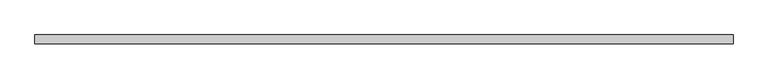
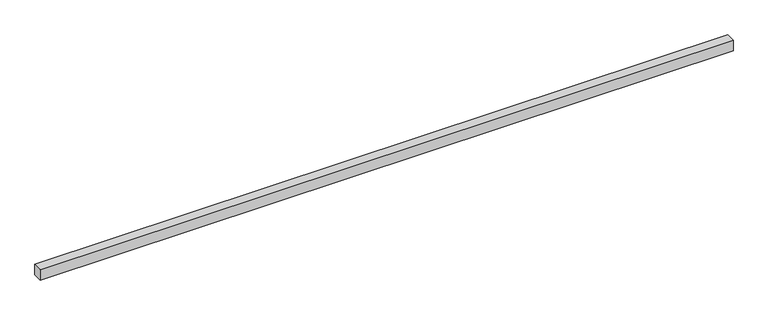
"""IFC4 building model written with IfcOpenShell, lengths in millimetres: proxy geometry."""

import ifcopenshell
import ifcopenshell.guid

model = None  # the IFC model being written
_history = None  # IfcOwnerHistory: only IFC2X3 demands one
_inside = {}  # id of a spatial element -> (the spatial element, [elements in it])
_under = {}  # id of a project, library or spatial element -> (it, [spatial elements below it])
_declared = {}  # id of a project -> (the project, [libraries it declares])
_typed = {}  # id of a type object -> (the type object, [elements of that type])
_made_of = {}  # id of a material, layer set ... -> (it, [elements and type objects made of it])


def new_model(schema):
    """Start an empty IFC model of exactly this schema.

    Asked for "IFC4X3", IfcOpenShell would pick the latest addendum, in which some entities
    have other attributes; the version numbers below select the first issue.
    IFC2X3 requires an IfcOwnerHistory on every rooted entity: one is made here for all.
    """
    global model, _history
    if schema == "IFC4X3":
        model = ifcopenshell.file(schema_version=(4, 3, 0, 0))
    else:
        model = ifcopenshell.file(schema=schema)
    _inside.clear()
    _under.clear()
    _declared.clear()
    _typed.clear()
    _made_of.clear()
    _history = None
    if model.schema == "IFC2X3":
        org = make("IfcOrganization", Name="unknown")
        user = make(
            "IfcPersonAndOrganization",
            ThePerson=make("IfcPerson", FamilyName="unknown"),
            TheOrganization=org,
        )
        app = make(
            "IfcApplication",
            ApplicationDeveloper=org,
            Version="unknown",
            ApplicationFullName="unknown",
            ApplicationIdentifier="unknown",
        )
        _history = make(
            "IfcOwnerHistory",
            OwningUser=user,
            OwningApplication=app,
            ChangeAction="ADDED",
            CreationDate=0,
        )
    return model


def make(cls, **values):
    """One entity of the class cls with the attributes given. An attribute that is None is left unset."""
    return model.create_entity(
        cls, **{name: value for name, value in values.items() if value is not None}
    )


def rooted(cls, **values):
    """An entity with a GlobalId (a new one), such as an element, a storey or a relation."""
    return make(cls, GlobalId=ifcopenshell.guid.new(), OwnerHistory=_history, **values)


def si_unit(unit_type, name, prefix=None):
    """IfcSIUnit, for example si_unit("LENGTHUNIT", "METRE", prefix="MILLI")."""
    return make("IfcSIUnit", UnitType=unit_type, Prefix=prefix, Name=name)


def assignment(units):
    """IfcUnitAssignment: the units of a project."""
    return None if units is None else make("IfcUnitAssignment", Units=units)


def point(xyz):
    """IfcCartesianPoint."""
    return None if xyz is None else make("IfcCartesianPoint", Coordinates=xyz)


def direction(xyz):
    """IfcDirection."""
    return None if xyz is None else make("IfcDirection", DirectionRatios=xyz)


def frame(location, z_axis=None, x_axis=None):
    """IfcAxis2Placement3D, a coordinate frame: its origin and axes. An axis left out is left unset."""
    return make(
        "IfcAxis2Placement3D",
        Location=point(location),
        Axis=direction(z_axis),
        RefDirection=direction(x_axis),
    )


def origin():
    """The frame at (0, 0, 0) with its axes left unset."""
    return frame((0.0, 0.0, 0.0))


def place(relative_to, where):
    """IfcLocalPlacement: puts the frame where relative to a parent placement (None: the world)."""
    return make(
        "IfcLocalPlacement", PlacementRelTo=relative_to, RelativePlacement=where
    )


def context(
    kind, dimensions, precision=None, world=None, true_north=None, identifier=None
):
    """IfcGeometricRepresentationContext, for example the 3D "Model" context."""
    return make(
        "IfcGeometricRepresentationContext",
        ContextIdentifier=identifier,
        ContextType=kind,
        CoordinateSpaceDimension=dimensions,
        Precision=precision,
        WorldCoordinateSystem=world,
        TrueNorth=true_north,
    )


def project(units=None, contexts=None):
    """IfcProject with its units and contexts."""
    return rooted(
        "IfcProject",
        Name="project",
        RepresentationContexts=contexts,
        UnitsInContext=assignment(units),
    )


def spatial(cls, under=None, at=None, **own):
    """A site, building, storey or space (cls), placed at a placement, below another one or the project."""
    s = rooted(cls, ObjectPlacement=at, **own)
    if under is not None:
        _under.setdefault(under.id(), (under, []))[1].append(s)
    return s


def polyline(points):
    """IfcPolyline through the points."""
    return make("IfcPolyline", Points=[point(p) for p in points])


def outline(outer, holes=None, kind="AREA"):
    """IfcArbitraryClosedProfileDef: a profile drawn as a closed curve; with holes, ...WithVoids."""
    if holes is None:
        return make("IfcArbitraryClosedProfileDef", ProfileType=kind, OuterCurve=outer)
    return make(
        "IfcArbitraryProfileDefWithVoids",
        ProfileType=kind,
        OuterCurve=outer,
        InnerCurves=holes,
    )


def extrude(swept, where, along, depth):
    """IfcExtrudedAreaSolid: the profile swept, set in the frame where, extruded along a direction by depth."""
    return make(
        "IfcExtrudedAreaSolid",
        SweptArea=swept,
        Position=where,
        ExtrudedDirection=direction(along),
        Depth=depth,
    )


def shape(context_of_items, identifier, shape_type, items):
    """IfcShapeRepresentation: the items that make up one representation, for example the "Body"."""
    return make(
        "IfcShapeRepresentation",
        ContextOfItems=context_of_items,
        RepresentationIdentifier=identifier,
        RepresentationType=shape_type,
        Items=items,
    )


def source(mapping_origin, context_of_items, identifier, shape_type, items):
    """IfcRepresentationMap: a shape defined once, which mapped items show again and again."""
    return make(
        "IfcRepresentationMap",
        MappingOrigin=mapping_origin,
        MappedRepresentation=shape(context_of_items, identifier, shape_type, items),
    )


def transform(
    local_origin,
    x_axis=None,
    y_axis=None,
    z_axis=None,
    scale=None,
    scale2=None,
    scale3=None,
    uniform=True,
):
    """IfcCartesianTransformationOperator3D, or its non-uniform kind. x_axis, y_axis, z_axis: its Axis1, 2, 3."""
    if uniform:
        return make(
            "IfcCartesianTransformationOperator3D",
            Axis1=direction(x_axis),
            Axis2=direction(y_axis),
            LocalOrigin=point(local_origin),
            Scale=scale,
            Axis3=direction(z_axis),
        )
    return make(
        "IfcCartesianTransformationOperator3DnonUniform",
        Axis1=direction(x_axis),
        Axis2=direction(y_axis),
        LocalOrigin=point(local_origin),
        Scale=scale,
        Axis3=direction(z_axis),
        Scale2=scale2,
        Scale3=scale3,
    )


def mapped(mapping_source, mapping_target):
    """IfcMappedItem: shows the shape of a source again, moved by a transform."""
    return make(
        "IfcMappedItem", MappingSource=mapping_source, MappingTarget=mapping_target
    )


def made_of(thing, what):
    """Note that an element or type object is made of a material, layer set ...; save() writes the relation."""
    if what is not None:
        _made_of.setdefault(what.id(), (what, []))[1].append(thing)
    return thing


def element(
    cls,
    number,
    at=None,
    inside=None,
    cuts=None,
    type_object=None,
    material=None,
    context=None,
    identifier="Body",
    shape_type=None,
    held_by="IfcProductDefinitionShape",
    body=None,
    shapes=None,
    **own,
):
    """One element of the class cls, such as IfcWall. Its Tag is "e" and its number.

    at: its placement. inside: the storey or other place that contains it. cuts: it is an
    opening in that element (IfcRelVoidsElement). A single representation is given by context,
    identifier, shape_type and body (its items); several are given by shapes. held_by: the class
    of the entity that holds the representations. save() writes the other relations.
    """
    e = rooted(cls, Tag="e%d" % number, ObjectPlacement=at, **own)
    if body is not None:
        shapes = [shape(context, identifier, shape_type, body)]
    if shapes is not None:
        e.Representation = make(held_by, Representations=shapes)
    if inside is not None:
        _inside.setdefault(inside.id(), (inside, []))[1].append(e)
    if cuts is not None:
        rooted(
            "IfcRelVoidsElement", RelatingBuildingElement=cuts, RelatedOpeningElement=e
        )
    if type_object is not None:
        _typed.setdefault(type_object.id(), (type_object, []))[1].append(e)
    return made_of(e, material)


def aggregate(whole, parts):
    """IfcRelAggregates: a whole, such as a stair, and the parts it consists of."""
    return rooted("IfcRelAggregates", RelatingObject=whole, RelatedObjects=parts)


def save(model, path):
    """Write the relations noted so far, then the file.

    IfcRelAggregates (storeys below a building ...), IfcRelContainedInSpatialStructure (elements
    in a storey), IfcRelDefinesByType, IfcRelAssociatesMaterial and IfcRelDeclares: one each for
    every whole, place, type object, material and project.
    """
    for whole, parts in _under.values():
        aggregate(whole, parts)
    for where, things in _inside.values():
        rooted(
            "IfcRelContainedInSpatialStructure",
            RelatedElements=things,
            RelatingStructure=where,
        )
    for kind, things in _typed.values():
        rooted("IfcRelDefinesByType", RelatedObjects=things, RelatingType=kind)
    for what, things in _made_of.values():
        rooted("IfcRelAssociatesMaterial", RelatedObjects=things, RelatingMaterial=what)
    for by, libraries in _declared.values():
        rooted("IfcRelDeclares", RelatingContext=by, RelatedDefinitions=libraries)
    model.write(path)


def generic_models_08832eeb(model_context):
    return source(origin(), model_context, "Body", "SweptSolid", [
        extrude(outline(polyline([(40.0, 0.0), (-40.0, 0.0), (-40.0, 6221.6233816), (40.0, 6221.6233816), (40.0, 0.0)])), frame((6221.6233816, 0.0, 0.0), z_axis=(0.0, -1.9783474858313244e-12, 1.0), x_axis=(0.0, 1.0, 1.9783474858313244e-12)), (0.0, 0.0, 1.0), 100.0),
    ])


if __name__ == "__main__":
    model = new_model("IFC4")
    model_context = context("Model", 3, world=origin())
    ifc_project = project(units=[si_unit("LENGTHUNIT", "METRE", prefix="MILLI")], contexts=[model_context])
    site = spatial("IfcSite", under=ifc_project)
    building = spatial("IfcBuilding", under=site)
    placement = place(None, origin())
    generic_models_shape = generic_models_08832eeb(model_context)
    element("IfcBuildingElementProxy", 1, Name="Generic Models", at=placement, inside=building, context=model_context, shape_type="MappedRepresentation", body=[
        mapped(generic_models_shape, transform((0.0, 0.0, 0.0), x_axis=(1.0, 0.0, 0.0), y_axis=(0.0, 1.0, 0.0), z_axis=(0.0, 0.0, 1.0))),
    ])
    save(model, "model.ifc")
